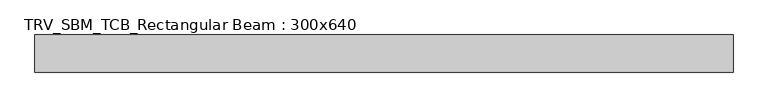
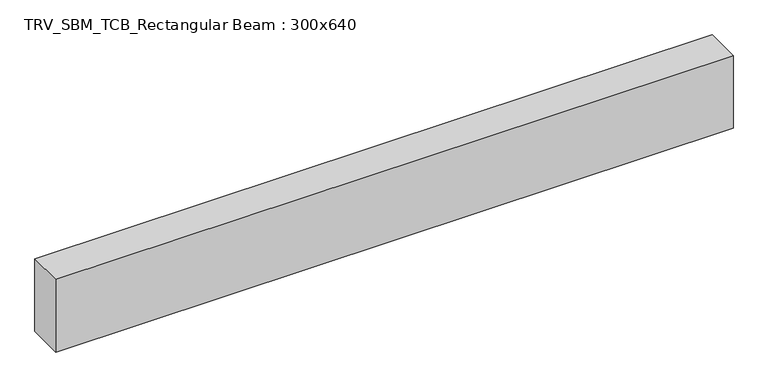
"""IFC4 building model written with IfcOpenShell, lengths in millimetres: beam geometry, TRV_SBM_TCB_Rectangular Beam : 300x640."""

from ifc_helpers import new_model, si_unit, frame, origin, place, context, project, spatial, polyline, outline, extrude, source, transform, mapped, element, save


def trv_sbm_tcb_rectangular_beam_300x640_c3901645(model_context):
    return source(origin(), model_context, "Body", "SweptSolid", [
        extrude(outline(polyline([(2822.7, 150.0), (2822.7, -150.0), (-2822.7, -150.0), (-2822.7, 150.0), (2822.7, 150.0)])), frame((0.0, 0.0, -320.0), z_axis=(0.0, 0.0, 1.0), x_axis=(1.0, 0.0, 0.0)), (0.0, 0.0, 1.0), 640.0),
    ])


if __name__ == "__main__":
    model = new_model("IFC4")
    model_context = context("Model", 3, world=origin())
    ifc_project = project(units=[si_unit("LENGTHUNIT", "METRE", prefix="MILLI")], contexts=[model_context])
    site = spatial("IfcSite", under=ifc_project)
    building = spatial("IfcBuilding", under=site)
    placement = place(None, origin())
    trv_sbm_tcb_rectangular_beam_300x640_shape = trv_sbm_tcb_rectangular_beam_300x640_c3901645(model_context)
    element("IfcBeam", 1, ObjectType="TRV_SBM_TCB_Rectangular Beam : 300x640", at=placement, inside=building, context=model_context, shape_type="MappedRepresentation", body=[
        mapped(trv_sbm_tcb_rectangular_beam_300x640_shape, transform((0.0, 0.0, 0.0), x_axis=(1.0, 0.0, 0.0), y_axis=(0.0, 1.0, 0.0), z_axis=(0.0, 0.0, 1.0))),
    ])
    save(model, "model.ifc")
